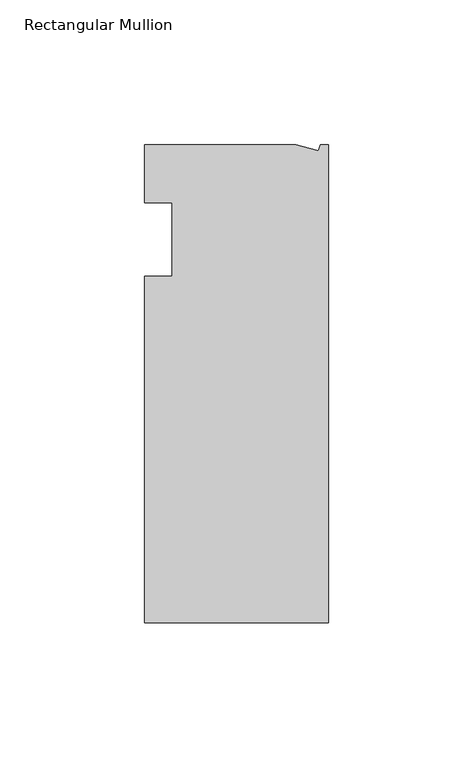
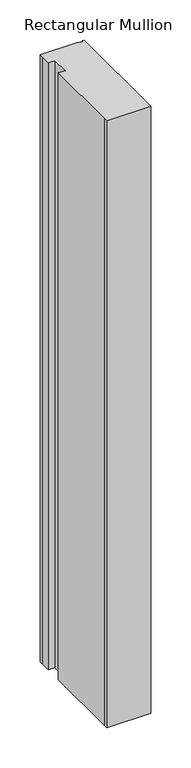
"""IFC4 building model written with IfcOpenShell, lengths in millimetres: member geometry, Rectangular Mullion."""

import ifcopenshell
import ifcopenshell.guid

model = None  # the IFC model being written
_history = None  # IfcOwnerHistory: only IFC2X3 demands one
_inside = {}  # id of a spatial element -> (the spatial element, [elements in it])
_under = {}  # id of a project, library or spatial element -> (it, [spatial elements below it])
_declared = {}  # id of a project -> (the project, [libraries it declares])
_typed = {}  # id of a type object -> (the type object, [elements of that type])
_made_of = {}  # id of a material, layer set ... -> (it, [elements and type objects made of it])


def new_model(schema):
    """Start an empty IFC model of exactly this schema.

    Asked for "IFC4X3", IfcOpenShell would pick the latest addendum, in which some entities
    have other attributes; the version numbers below select the first issue.
    IFC2X3 requires an IfcOwnerHistory on every rooted entity: one is made here for all.
    """
    global model, _history
    if schema == "IFC4X3":
        model = ifcopenshell.file(schema_version=(4, 3, 0, 0))
    else:
        model = ifcopenshell.file(schema=schema)
    _inside.clear()
    _under.clear()
    _declared.clear()
    _typed.clear()
    _made_of.clear()
    _history = None
    if model.schema == "IFC2X3":
        org = make("IfcOrganization", Name="unknown")
        user = make(
            "IfcPersonAndOrganization",
            ThePerson=make("IfcPerson", FamilyName="unknown"),
            TheOrganization=org,
        )
        app = make(
            "IfcApplication",
            ApplicationDeveloper=org,
            Version="unknown",
            ApplicationFullName="unknown",
            ApplicationIdentifier="unknown",
        )
        _history = make(
            "IfcOwnerHistory",
            OwningUser=user,
            OwningApplication=app,
            ChangeAction="ADDED",
            CreationDate=0,
        )
    return model


def make(cls, **values):
    """One entity of the class cls with the attributes given. An attribute that is None is left unset."""
    return model.create_entity(
        cls, **{name: value for name, value in values.items() if value is not None}
    )


def rooted(cls, **values):
    """An entity with a GlobalId (a new one), such as an element, a storey or a relation."""
    return make(cls, GlobalId=ifcopenshell.guid.new(), OwnerHistory=_history, **values)


def si_unit(unit_type, name, prefix=None):
    """IfcSIUnit, for example si_unit("LENGTHUNIT", "METRE", prefix="MILLI")."""
    return make("IfcSIUnit", UnitType=unit_type, Prefix=prefix, Name=name)


def assignment(units):
    """IfcUnitAssignment: the units of a project."""
    return None if units is None else make("IfcUnitAssignment", Units=units)


def point(xyz):
    """IfcCartesianPoint."""
    return None if xyz is None else make("IfcCartesianPoint", Coordinates=xyz)


def direction(xyz):
    """IfcDirection."""
    return None if xyz is None else make("IfcDirection", DirectionRatios=xyz)


def frame(location, z_axis=None, x_axis=None):
    """IfcAxis2Placement3D, a coordinate frame: its origin and axes. An axis left out is left unset."""
    return make(
        "IfcAxis2Placement3D",
        Location=point(location),
        Axis=direction(z_axis),
        RefDirection=direction(x_axis),
    )


def origin():
    """The frame at (0, 0, 0) with its axes left unset."""
    return frame((0.0, 0.0, 0.0))


def place(relative_to, where):
    """IfcLocalPlacement: puts the frame where relative to a parent placement (None: the world)."""
    return make(
        "IfcLocalPlacement", PlacementRelTo=relative_to, RelativePlacement=where
    )


def context(
    kind, dimensions, precision=None, world=None, true_north=None, identifier=None
):
    """IfcGeometricRepresentationContext, for example the 3D "Model" context."""
    return make(
        "IfcGeometricRepresentationContext",
        ContextIdentifier=identifier,
        ContextType=kind,
        CoordinateSpaceDimension=dimensions,
        Precision=precision,
        WorldCoordinateSystem=world,
        TrueNorth=true_north,
    )


def project(units=None, contexts=None):
    """IfcProject with its units and contexts."""
    return rooted(
        "IfcProject",
        Name="project",
        RepresentationContexts=contexts,
        UnitsInContext=assignment(units),
    )


def spatial(cls, under=None, at=None, **own):
    """A site, building, storey or space (cls), placed at a placement, below another one or the project."""
    s = rooted(cls, ObjectPlacement=at, **own)
    if under is not None:
        _under.setdefault(under.id(), (under, []))[1].append(s)
    return s


def polyline(points):
    """IfcPolyline through the points."""
    return make("IfcPolyline", Points=[point(p) for p in points])


def outline(outer, holes=None, kind="AREA"):
    """IfcArbitraryClosedProfileDef: a profile drawn as a closed curve; with holes, ...WithVoids."""
    if holes is None:
        return make("IfcArbitraryClosedProfileDef", ProfileType=kind, OuterCurve=outer)
    return make(
        "IfcArbitraryProfileDefWithVoids",
        ProfileType=kind,
        OuterCurve=outer,
        InnerCurves=holes,
    )


def extrude(swept, where, along, depth):
    """IfcExtrudedAreaSolid: the profile swept, set in the frame where, extruded along a direction by depth."""
    return make(
        "IfcExtrudedAreaSolid",
        SweptArea=swept,
        Position=where,
        ExtrudedDirection=direction(along),
        Depth=depth,
    )


def shape(context_of_items, identifier, shape_type, items):
    """IfcShapeRepresentation: the items that make up one representation, for example the "Body"."""
    return make(
        "IfcShapeRepresentation",
        ContextOfItems=context_of_items,
        RepresentationIdentifier=identifier,
        RepresentationType=shape_type,
        Items=items,
    )


def source(mapping_origin, context_of_items, identifier, shape_type, items):
    """IfcRepresentationMap: a shape defined once, which mapped items show again and again."""
    return make(
        "IfcRepresentationMap",
        MappingOrigin=mapping_origin,
        MappedRepresentation=shape(context_of_items, identifier, shape_type, items),
    )


def transform(
    local_origin,
    x_axis=None,
    y_axis=None,
    z_axis=None,
    scale=None,
    scale2=None,
    scale3=None,
    uniform=True,
):
    """IfcCartesianTransformationOperator3D, or its non-uniform kind. x_axis, y_axis, z_axis: its Axis1, 2, 3."""
    if uniform:
        return make(
            "IfcCartesianTransformationOperator3D",
            Axis1=direction(x_axis),
            Axis2=direction(y_axis),
            LocalOrigin=point(local_origin),
            Scale=scale,
            Axis3=direction(z_axis),
        )
    return make(
        "IfcCartesianTransformationOperator3DnonUniform",
        Axis1=direction(x_axis),
        Axis2=direction(y_axis),
        LocalOrigin=point(local_origin),
        Scale=scale,
        Axis3=direction(z_axis),
        Scale2=scale2,
        Scale3=scale3,
    )


def mapped(mapping_source, mapping_target):
    """IfcMappedItem: shows the shape of a source again, moved by a transform."""
    return make(
        "IfcMappedItem", MappingSource=mapping_source, MappingTarget=mapping_target
    )


def made_of(thing, what):
    """Note that an element or type object is made of a material, layer set ...; save() writes the relation."""
    if what is not None:
        _made_of.setdefault(what.id(), (what, []))[1].append(thing)
    return thing


def element(
    cls,
    number,
    at=None,
    inside=None,
    cuts=None,
    type_object=None,
    material=None,
    context=None,
    identifier="Body",
    shape_type=None,
    held_by="IfcProductDefinitionShape",
    body=None,
    shapes=None,
    **own,
):
    """One element of the class cls, such as IfcWall. Its Tag is "e" and its number.

    at: its placement. inside: the storey or other place that contains it. cuts: it is an
    opening in that element (IfcRelVoidsElement). A single representation is given by context,
    identifier, shape_type and body (its items); several are given by shapes. held_by: the class
    of the entity that holds the representations. save() writes the other relations.
    """
    e = rooted(cls, Tag="e%d" % number, ObjectPlacement=at, **own)
    if body is not None:
        shapes = [shape(context, identifier, shape_type, body)]
    if shapes is not None:
        e.Representation = make(held_by, Representations=shapes)
    if inside is not None:
        _inside.setdefault(inside.id(), (inside, []))[1].append(e)
    if cuts is not None:
        rooted(
            "IfcRelVoidsElement", RelatingBuildingElement=cuts, RelatedOpeningElement=e
        )
    if type_object is not None:
        _typed.setdefault(type_object.id(), (type_object, []))[1].append(e)
    return made_of(e, material)


def aggregate(whole, parts):
    """IfcRelAggregates: a whole, such as a stair, and the parts it consists of."""
    return rooted("IfcRelAggregates", RelatingObject=whole, RelatedObjects=parts)


def save(model, path):
    """Write the relations noted so far, then the file.

    IfcRelAggregates (storeys below a building ...), IfcRelContainedInSpatialStructure (elements
    in a storey), IfcRelDefinesByType, IfcRelAssociatesMaterial and IfcRelDeclares: one each for
    every whole, place, type object, material and project.
    """
    for whole, parts in _under.values():
        aggregate(whole, parts)
    for where, things in _inside.values():
        rooted(
            "IfcRelContainedInSpatialStructure",
            RelatedElements=things,
            RelatingStructure=where,
        )
    for kind, things in _typed.values():
        rooted("IfcRelDefinesByType", RelatedObjects=things, RelatingType=kind)
    for what, things in _made_of.values():
        rooted("IfcRelAssociatesMaterial", RelatedObjects=things, RelatingMaterial=what)
    for by, libraries in _declared.values():
        rooted("IfcRelDeclares", RelatingContext=by, RelatedDefinitions=libraries)
    model.write(path)


def rectangular_mullion_0d9c9ba2(model_context):
    return source(origin(), model_context, "Body", "SweptSolid", [
        extrude(outline(polyline([(0.0, -132.5561012), (-63.5, -132.5561012), (-63.5, -126.2061012), (-63.5, -12.8054199), (-53.975, -12.8054199), (-53.975, 12.5945801), (-63.5, 12.5945801), (-63.5, 26.1938988), (-63.5, 32.5438988), (-11.121847, 32.5438988), (-3.3341886, 30.4622958), (-2.7616541, 32.5438988), (0.0, 32.5438988), (0.0, -132.5561012)])), frame((0.0, 0.0, -921.7014763), z_axis=(0.0, 0.0, 1.0), x_axis=(1.0, 0.0, 0.0)), (0.0, 0.0, 1.0), 921.7014763),
    ])


if __name__ == "__main__":
    model = new_model("IFC4")
    model_context = context("Model", 3, world=origin())
    ifc_project = project(units=[si_unit("LENGTHUNIT", "METRE", prefix="MILLI")], contexts=[model_context])
    site = spatial("IfcSite", under=ifc_project)
    building = spatial("IfcBuilding", under=site)
    placement = place(None, origin())
    rectangular_mullion_shape = rectangular_mullion_0d9c9ba2(model_context)
    element("IfcMember", 1, ObjectType="Rectangular Mullion", at=placement, inside=building, context=model_context, shape_type="MappedRepresentation", body=[
        mapped(rectangular_mullion_shape, transform((0.0, 0.0, 0.0), x_axis=(1.0, 0.0, 0.0), y_axis=(0.0, 1.0, 0.0), z_axis=(0.0, 0.0, 1.0))),
    ])
    save(model, "model.ifc")
